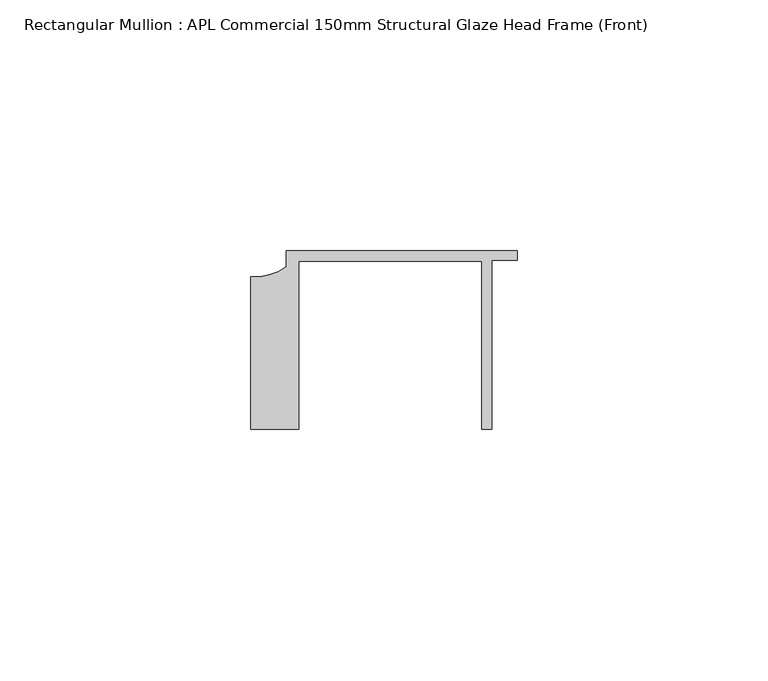
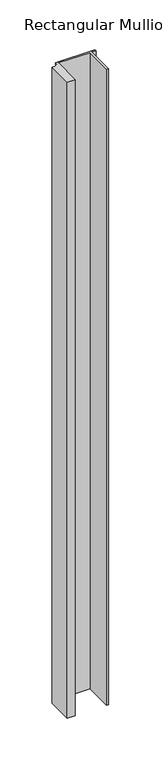
"""IFC4 building model written with IfcOpenShell, lengths in millimetres: member geometry, Rectangular Mullion : APL Commercial 150mm Structural Glaze Head Frame (Front)."""

from ifc_helpers import new_model, si_unit, point, frame, frame_2d, origin, place, context, project, spatial, polyline, circle_curve, trimmed, segment, composite_curve, outline, extrude, source, transform, mapped, element, save


def rectangular_mullion_apl_commercial_150mm_structural_glaze_38470f8a(model_context):
    return source(origin(), model_context, "Body", "SweptSolid", [
        extrude(outline(composite_curve([segment(polyline([(-52.9999542, -15.0), (-52.9999542, 15.3798304)]), True, "CONTINUOUS"), segment(trimmed(circle_curve(frame_2d((-52.109817, 25.7982641)), 10.4563907), [point((-52.9999542, 15.3798304))], [point((-45.9999994, 17.3126154))], True, "CARTESIAN"), True, "CONTINUOUS"), segment(polyline([(-45.9999994, 17.3126154), (-45.9999994, 20.5002486), (0.0, 20.5002486), (0.0, 18.7002486), (-5.0, 18.7002486), (-5.0, -15.0), (-7.0, -15.0), (-7.0, 18.5002486), (-43.5000151, 18.5002486), (-43.5000151, -15.0), (-52.9999542, -15.0)]), True, "CONTINUOUS")], self_intersect=False)), frame((0.0, 0.0, -782.3816345), z_axis=(0.0, 0.0, 1.0), x_axis=(1.0, 0.0, 0.0)), (0.0, 0.0, 1.0), 782.3816345),
    ])


if __name__ == "__main__":
    model = new_model("IFC4")
    model_context = context("Model", 3, world=origin())
    ifc_project = project(units=[si_unit("LENGTHUNIT", "METRE", prefix="MILLI")], contexts=[model_context])
    site = spatial("IfcSite", under=ifc_project)
    building = spatial("IfcBuilding", under=site)
    placement = place(None, origin())
    rectangular_mullion_apl_commercial_150mm_structural_glaze_shape = rectangular_mullion_apl_commercial_150mm_structural_glaze_38470f8a(model_context)
    element("IfcMember", 1, ObjectType="Rectangular Mullion : APL Commercial 150mm Structural Glaze Head Frame (Front)", at=placement, inside=building, context=model_context, shape_type="MappedRepresentation", body=[
        mapped(rectangular_mullion_apl_commercial_150mm_structural_glaze_shape, transform((0.0, 0.0, 0.0), x_axis=(1.0, 0.0, 0.0), y_axis=(0.0, 1.0, 0.0), z_axis=(0.0, 0.0, 1.0))),
    ])
    save(model, "model.ifc")
